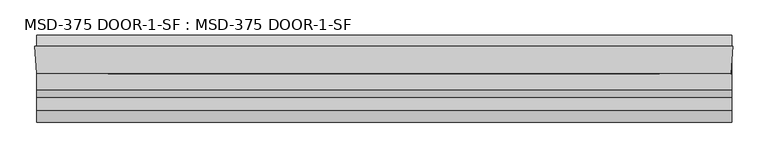
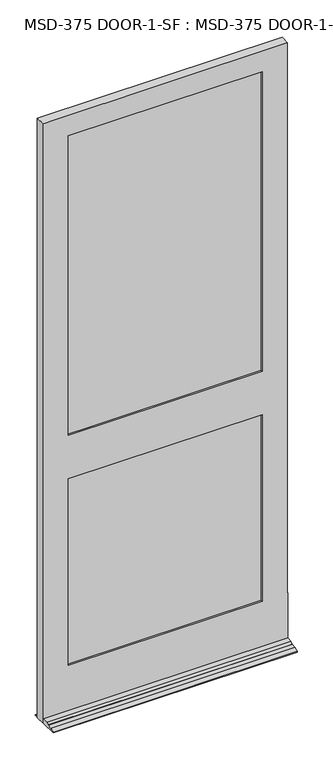
"""IFC4 building model written with IfcOpenShell, lengths in millimetres: plate geometry, MSD-375 DOOR-1-SF : MSD-375 DOOR-1-SF."""

from ifc_helpers import new_model, si_unit, frame, origin, place, context, project, spatial, polyline, outline, extrude, faceted_brep, source, transform, mapped, element, save


def msd_375_door_1_sf_msd_375_door_1_sf_481165d7(model_context):
    return source(origin(), model_context, "Body", "SolidModel", [
        faceted_brep([(570.0313901, 1.8752528, 0.0), (571.4353327, 1.8752528, 0.0), (570.0313901, -20.6651106, 0.0), (570.0313901, -121.9497472, 0.0), (-575.0814, -121.9497472, 0.0), (-575.0814, -42.5747472, 0.0), (-577.85, 1.8752528, 0.0), (-575.0814, 1.8752528, 0.0), (-575.0814, 20.9252528, 0.0), (570.0313901, 20.9252528, 0.0), (570.0313901, 20.9252528, 3.175), (570.0313901, 1.8752528, 12.7), (570.0313901, -35.1325472, 226.2251), (570.0313901, -35.1325472, 246.0625), (570.0313901, -42.5747472, 246.0625), (570.0313901, -42.5747472, 21.4376), (570.0313901, -68.4446472, 21.4376), (570.0313901, -80.8652472, 14.2748), (570.0313901, -80.8652472, 12.7), (570.0313901, -102.8997472, 12.7), (570.0313901, -121.9497472, 3.175), (570.0313901, -20.6651106, 226.2251), (-575.0814, 1.8752528, 12.7), (-575.0814, 20.9252528, 3.175), (-575.0814, -121.9497472, 3.175), (-575.0814, -102.8997472, 12.7), (-575.0814, -80.8652472, 12.7), (-575.0814, -80.8652472, 14.2748), (-575.0814, -68.4446472, 21.4376), (-575.0814, -42.5747472, 21.4376), (571.4353327, 1.8752528, 2971.7168046), (-577.85, 1.8752528, 2971.7168046), (-457.2, 1.8752528, 1169.9748), (-457.2, 1.8752528, 246.0625), (450.7853327, 1.8752528, 246.0625), (450.7853327, 1.8752528, 1169.9748), (450.7853327, 1.8752528, 2870.1168046), (-457.2, 1.8752528, 2870.1168046), (-457.2, 1.8752528, 1385.8748), (450.7853327, 1.8752528, 1385.8748), (450.7853327, -9.7325472, 2870.1168046), (-457.2, -9.7325472, 2870.1168046), (470.6227327, -9.7325472, 1189.8249), (-477.0374, -9.7325472, 1189.8249), (-477.0374, -9.7325472, 226.2251), (470.6227327, -9.7325472, 226.2251), (-457.2, -9.7325472, 1169.9748), (450.7853327, -9.7325472, 1169.9748), (450.7853327, -9.7325472, 246.0625), (-457.2, -9.7325472, 246.0625), (470.6227327, -9.7325472, 2890.0374), (-477.0374, -9.7325472, 2890.0374), (-477.0374, -9.7325472, 1366.0374), (470.6227327, -9.7325472, 1366.0374), (450.7853327, -9.7325472, 1385.8748), (-457.2, -9.7325472, 1385.8748), (470.6227327, -35.1325472, 2890.0374), (-477.0374, -35.1325472, 2890.0374), (-477.0374, -35.1325472, 1189.8249), (470.6227327, -35.1325472, 1189.8249), (470.6227327, -35.1325472, 226.2251), (-477.0374, -35.1325472, 226.2251), (450.7853327, -35.1325472, 1169.9748), (-457.2, -35.1325472, 1169.9748), (-457.2, -35.1325472, 246.0625), (450.7853327, -35.1325472, 246.0625), (470.6227327, -35.1325472, 1366.0374), (-477.0374, -35.1325472, 1366.0374), (450.7853327, -35.1325472, 2870.1168046), (-457.2, -35.1325472, 2870.1168046), (-457.2, -35.1325472, 1385.8748), (450.7853327, -35.1325472, 1385.8748), (569.1302755, -35.1325472, 226.2251), (569.1302755, -35.1325472, 246.0625), (450.7853327, -42.5747472, 2870.1168046), (-457.2, -42.5747472, 2870.1168046), (568.6667327, -42.5747472, 2971.7168046), (-575.0814, -42.5747472, 2971.7168046), (568.6667327, -42.5747472, 246.0625), (450.7853327, -42.5747472, 1169.9748), (450.7853327, -42.5747472, 246.0625), (-457.2, -42.5747472, 246.0625), (-457.2, -42.5747472, 1169.9748), (450.7853327, -42.5747472, 1385.8748), (-457.2, -42.5747472, 1385.8748)], [[[0, 1, 2, 3, 4, 5, 6, 7, 8, 9]], [[9, 10, 11, 0]], [[12, 13, 14, 15, 16, 17, 18, 19, 20, 3, 2, 21]], [[22, 23, 8, 7]], [[4, 24, 25, 26, 27, 28, 29, 5]], [[30, 1, 0, 11, 22, 7, 6, 31], [32, 33, 34, 35], [36, 37, 38, 39]], [[36, 40, 41, 37]], [[42, 43, 44, 45], [46, 47, 48, 49]], [[50, 51, 52, 53], [41, 40, 54, 55]], [[50, 56, 57, 51]], [[58, 59, 60, 61], [62, 63, 64, 65]], [[57, 56, 66, 67], [68, 69, 70, 71]], [[13, 12, 72, 73]], [[68, 74, 75, 69]], [[76, 77, 29, 15, 14, 78], [79, 80, 81, 82], [75, 74, 83, 84]], [[76, 30, 31, 77]], [[56, 50, 53, 66]], [[60, 59, 42, 45]], [[74, 68, 71, 83]], [[79, 62, 65, 80]], [[30, 76, 78, 73, 72, 21, 2, 1]], [[40, 36, 39, 54]], [[47, 35, 34, 48]], [[29, 77, 31, 6, 5]], [[69, 75, 84, 70]], [[63, 82, 81, 64]], [[44, 43, 58, 61]], [[51, 57, 67, 52]], [[37, 41, 55, 38]], [[32, 46, 49, 33]], [[39, 38, 55, 54]], [[66, 53, 52, 67]], [[71, 70, 84, 83]], [[63, 62, 79, 82]], [[42, 59, 58, 43]], [[32, 35, 47, 46]], [[61, 60, 45, 44]], [[12, 21, 72]], [[65, 64, 81, 80]], [[14, 13, 73, 78]], [[16, 15, 29, 28]], [[17, 16, 28, 27]], [[18, 17, 27, 26]], [[19, 18, 26, 25]], [[20, 19, 25, 24]], [[3, 20, 24, 4]], [[10, 9, 8, 23]], [[22, 11, 10, 23]], [[34, 33, 49, 48]]]),
        extrude(outline(polyline([(-475.1412802, -9.7325472), (470.0088756, -9.7325472), (470.0088756, -14.8125472), (-475.1412802, -14.8125472), (-475.1412802, -9.7325472)])), frame((0.0, 0.0, 1366.0374), z_axis=(0.0, 0.0, 1.0), x_axis=(1.0, 0.0, 0.0)), (0.0, 0.0, 1.0), 1524.0),
        extrude(outline(polyline([(470.0088756, -24.2105472), (470.0088756, -29.2905472), (-475.1412802, -29.2905472), (-475.1412802, -24.2105472), (470.0088756, -24.2105472)])), frame((0.0, 0.0, 1366.0374), z_axis=(0.0, 0.0, 1.0), x_axis=(1.0, 0.0, 0.0)), (0.0, 0.0, 1.0), 1524.0),
        extrude(outline(polyline([(-475.1412802, -30.0525472), (470.0088756, -30.0525472), (470.0088756, -35.1325472), (-475.1412802, -35.1325472), (-475.1412802, -30.0525472)])), frame((0.0, 0.0, 1366.0374), z_axis=(0.0, 0.0, 1.0), x_axis=(1.0, 0.0, 0.0)), (0.0, 0.0, 1.0), 1524.0),
        extrude(outline(polyline([(-477.0374, -9.7325472), (470.6227327, -9.7325472), (470.6227327, -14.8125472), (-477.0374, -14.8125472), (-477.0374, -9.7325472)])), frame((0.0, 0.0, 226.21875), z_axis=(0.0, 0.0, 1.0), x_axis=(1.0, 0.0, 0.0)), (0.0, 0.0, 1.0), 963.60615),
        extrude(outline(polyline([(470.6227327, -24.2105472), (470.6227327, -29.2905472), (-477.0374, -29.2905472), (-477.0374, -24.2105472), (470.6227327, -24.2105472)])), frame((0.0, 0.0, 226.21875), z_axis=(0.0, 0.0, 1.0), x_axis=(1.0, 0.0, 0.0)), (0.0, 0.0, 1.0), 963.60615),
        extrude(outline(polyline([(-477.0374, -30.0525472), (470.6227327, -30.0525472), (470.6227327, -35.1325472), (-477.0374, -35.1325472), (-477.0374, -30.0525472)])), frame((0.0, 0.0, 226.21875), z_axis=(0.0, 0.0, 1.0), x_axis=(1.0, 0.0, 0.0)), (0.0, 0.0, 1.0), 963.60615),
    ])


if __name__ == "__main__":
    model = new_model("IFC4")
    model_context = context("Model", 3, world=origin())
    ifc_project = project(units=[si_unit("LENGTHUNIT", "METRE", prefix="MILLI")], contexts=[model_context])
    site = spatial("IfcSite", under=ifc_project)
    building = spatial("IfcBuilding", under=site)
    placement = place(None, origin())
    msd_375_door_1_sf_msd_375_door_1_sf_shape = msd_375_door_1_sf_msd_375_door_1_sf_481165d7(model_context)
    element("IfcPlate", 1, ObjectType="MSD-375 DOOR-1-SF : MSD-375 DOOR-1-SF", at=placement, inside=building, context=model_context, shape_type="MappedRepresentation", body=[
        mapped(msd_375_door_1_sf_msd_375_door_1_sf_shape, transform((0.0, 0.0, 0.0), x_axis=(1.0, 0.0, 0.0), y_axis=(0.0, 1.0, 0.0), z_axis=(0.0, 0.0, 1.0))),
    ])
    save(model, "model.ifc")
